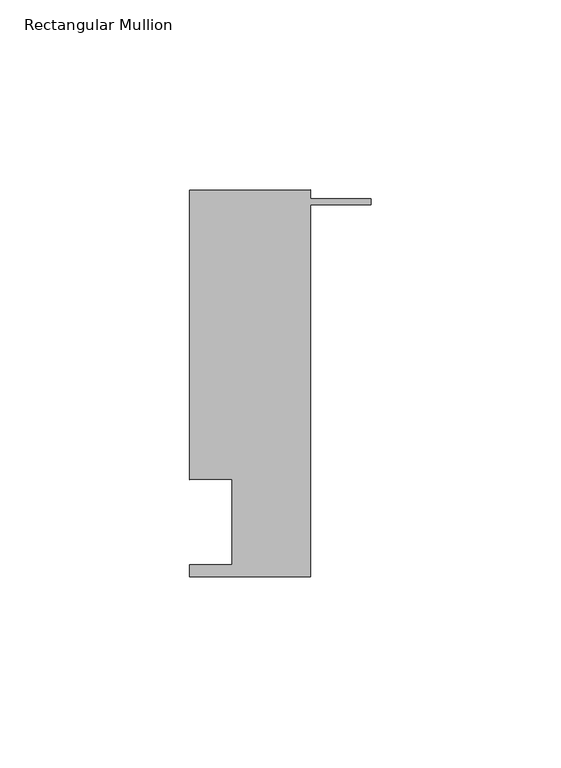
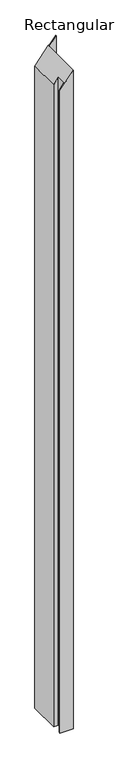
"""IFC4 building model written with IfcOpenShell, lengths in millimetres: member geometry, Rectangular Mullion."""

import ifcopenshell
import ifcopenshell.guid

model = None  # the IFC model being written
_history = None  # IfcOwnerHistory: only IFC2X3 demands one
_inside = {}  # id of a spatial element -> (the spatial element, [elements in it])
_under = {}  # id of a project, library or spatial element -> (it, [spatial elements below it])
_declared = {}  # id of a project -> (the project, [libraries it declares])
_typed = {}  # id of a type object -> (the type object, [elements of that type])
_made_of = {}  # id of a material, layer set ... -> (it, [elements and type objects made of it])


def new_model(schema):
    """Start an empty IFC model of exactly this schema.

    Asked for "IFC4X3", IfcOpenShell would pick the latest addendum, in which some entities
    have other attributes; the version numbers below select the first issue.
    IFC2X3 requires an IfcOwnerHistory on every rooted entity: one is made here for all.
    """
    global model, _history
    if schema == "IFC4X3":
        model = ifcopenshell.file(schema_version=(4, 3, 0, 0))
    else:
        model = ifcopenshell.file(schema=schema)
    _inside.clear()
    _under.clear()
    _declared.clear()
    _typed.clear()
    _made_of.clear()
    _history = None
    if model.schema == "IFC2X3":
        org = make("IfcOrganization", Name="unknown")
        user = make(
            "IfcPersonAndOrganization",
            ThePerson=make("IfcPerson", FamilyName="unknown"),
            TheOrganization=org,
        )
        app = make(
            "IfcApplication",
            ApplicationDeveloper=org,
            Version="unknown",
            ApplicationFullName="unknown",
            ApplicationIdentifier="unknown",
        )
        _history = make(
            "IfcOwnerHistory",
            OwningUser=user,
            OwningApplication=app,
            ChangeAction="ADDED",
            CreationDate=0,
        )
    return model


def make(cls, **values):
    """One entity of the class cls with the attributes given. An attribute that is None is left unset."""
    return model.create_entity(
        cls, **{name: value for name, value in values.items() if value is not None}
    )


def rooted(cls, **values):
    """An entity with a GlobalId (a new one), such as an element, a storey or a relation."""
    return make(cls, GlobalId=ifcopenshell.guid.new(), OwnerHistory=_history, **values)


def si_unit(unit_type, name, prefix=None):
    """IfcSIUnit, for example si_unit("LENGTHUNIT", "METRE", prefix="MILLI")."""
    return make("IfcSIUnit", UnitType=unit_type, Prefix=prefix, Name=name)


def assignment(units):
    """IfcUnitAssignment: the units of a project."""
    return None if units is None else make("IfcUnitAssignment", Units=units)


def point(xyz):
    """IfcCartesianPoint."""
    return None if xyz is None else make("IfcCartesianPoint", Coordinates=xyz)


def direction(xyz):
    """IfcDirection."""
    return None if xyz is None else make("IfcDirection", DirectionRatios=xyz)


def frame(location, z_axis=None, x_axis=None):
    """IfcAxis2Placement3D, a coordinate frame: its origin and axes. An axis left out is left unset."""
    return make(
        "IfcAxis2Placement3D",
        Location=point(location),
        Axis=direction(z_axis),
        RefDirection=direction(x_axis),
    )


def origin():
    """The frame at (0, 0, 0) with its axes left unset."""
    return frame((0.0, 0.0, 0.0))


def place(relative_to, where):
    """IfcLocalPlacement: puts the frame where relative to a parent placement (None: the world)."""
    return make(
        "IfcLocalPlacement", PlacementRelTo=relative_to, RelativePlacement=where
    )


def context(
    kind, dimensions, precision=None, world=None, true_north=None, identifier=None
):
    """IfcGeometricRepresentationContext, for example the 3D "Model" context."""
    return make(
        "IfcGeometricRepresentationContext",
        ContextIdentifier=identifier,
        ContextType=kind,
        CoordinateSpaceDimension=dimensions,
        Precision=precision,
        WorldCoordinateSystem=world,
        TrueNorth=true_north,
    )


def project(units=None, contexts=None):
    """IfcProject with its units and contexts."""
    return rooted(
        "IfcProject",
        Name="project",
        RepresentationContexts=contexts,
        UnitsInContext=assignment(units),
    )


def spatial(cls, under=None, at=None, **own):
    """A site, building, storey or space (cls), placed at a placement, below another one or the project."""
    s = rooted(cls, ObjectPlacement=at, **own)
    if under is not None:
        _under.setdefault(under.id(), (under, []))[1].append(s)
    return s


def faces_of(points, faces, orient=None, outer=None):
    """IfcFace entities. A face is a list of loops; a loop is a list of indices into points, from 0.

    orient and outer hold one flag for each loop. By default every Orientation is true, the
    first loop of a face is its IfcFaceOuterBound and the others are IfcFaceBound.
    """
    made = []
    for i, loops in enumerate(faces):
        bounds = []
        for j, loop in enumerate(loops):
            is_outer = j == 0 if outer is None else outer[i][j]
            bounds.append(
                make(
                    "IfcFaceOuterBound" if is_outer else "IfcFaceBound",
                    Bound=make("IfcPolyLoop", Polygon=[points[k] for k in loop]),
                    Orientation=True if orient is None else orient[i][j],
                )
            )
        made.append(make("IfcFace", Bounds=bounds))
    return made


def faceted_brep(points, faces, orient=None, outer=None, voids=None):
    """IfcFacetedBrep: a solid bounded by flat faces; with voids (closed shells), ...WithVoids."""
    shared = [point(p) for p in points]
    hull = make("IfcClosedShell", CfsFaces=faces_of(shared, faces, orient, outer))
    if voids is None:
        return make("IfcFacetedBrep", Outer=hull)
    return make(
        "IfcFacetedBrepWithVoids",
        Outer=hull,
        Voids=[
            make(cls, CfsFaces=faces_of(shared, fs, o, b)) for cls, fs, o, b in voids
        ],
    )


def shape(context_of_items, identifier, shape_type, items):
    """IfcShapeRepresentation: the items that make up one representation, for example the "Body"."""
    return make(
        "IfcShapeRepresentation",
        ContextOfItems=context_of_items,
        RepresentationIdentifier=identifier,
        RepresentationType=shape_type,
        Items=items,
    )


def source(mapping_origin, context_of_items, identifier, shape_type, items):
    """IfcRepresentationMap: a shape defined once, which mapped items show again and again."""
    return make(
        "IfcRepresentationMap",
        MappingOrigin=mapping_origin,
        MappedRepresentation=shape(context_of_items, identifier, shape_type, items),
    )


def transform(
    local_origin,
    x_axis=None,
    y_axis=None,
    z_axis=None,
    scale=None,
    scale2=None,
    scale3=None,
    uniform=True,
):
    """IfcCartesianTransformationOperator3D, or its non-uniform kind. x_axis, y_axis, z_axis: its Axis1, 2, 3."""
    if uniform:
        return make(
            "IfcCartesianTransformationOperator3D",
            Axis1=direction(x_axis),
            Axis2=direction(y_axis),
            LocalOrigin=point(local_origin),
            Scale=scale,
            Axis3=direction(z_axis),
        )
    return make(
        "IfcCartesianTransformationOperator3DnonUniform",
        Axis1=direction(x_axis),
        Axis2=direction(y_axis),
        LocalOrigin=point(local_origin),
        Scale=scale,
        Axis3=direction(z_axis),
        Scale2=scale2,
        Scale3=scale3,
    )


def mapped(mapping_source, mapping_target):
    """IfcMappedItem: shows the shape of a source again, moved by a transform."""
    return make(
        "IfcMappedItem", MappingSource=mapping_source, MappingTarget=mapping_target
    )


def made_of(thing, what):
    """Note that an element or type object is made of a material, layer set ...; save() writes the relation."""
    if what is not None:
        _made_of.setdefault(what.id(), (what, []))[1].append(thing)
    return thing


def element(
    cls,
    number,
    at=None,
    inside=None,
    cuts=None,
    type_object=None,
    material=None,
    context=None,
    identifier="Body",
    shape_type=None,
    held_by="IfcProductDefinitionShape",
    body=None,
    shapes=None,
    **own,
):
    """One element of the class cls, such as IfcWall. Its Tag is "e" and its number.

    at: its placement. inside: the storey or other place that contains it. cuts: it is an
    opening in that element (IfcRelVoidsElement). A single representation is given by context,
    identifier, shape_type and body (its items); several are given by shapes. held_by: the class
    of the entity that holds the representations. save() writes the other relations.
    """
    e = rooted(cls, Tag="e%d" % number, ObjectPlacement=at, **own)
    if body is not None:
        shapes = [shape(context, identifier, shape_type, body)]
    if shapes is not None:
        e.Representation = make(held_by, Representations=shapes)
    if inside is not None:
        _inside.setdefault(inside.id(), (inside, []))[1].append(e)
    if cuts is not None:
        rooted(
            "IfcRelVoidsElement", RelatingBuildingElement=cuts, RelatedOpeningElement=e
        )
    if type_object is not None:
        _typed.setdefault(type_object.id(), (type_object, []))[1].append(e)
    return made_of(e, material)


def aggregate(whole, parts):
    """IfcRelAggregates: a whole, such as a stair, and the parts it consists of."""
    return rooted("IfcRelAggregates", RelatingObject=whole, RelatedObjects=parts)


def save(model, path):
    """Write the relations noted so far, then the file.

    IfcRelAggregates (storeys below a building ...), IfcRelContainedInSpatialStructure (elements
    in a storey), IfcRelDefinesByType, IfcRelAssociatesMaterial and IfcRelDeclares: one each for
    every whole, place, type object, material and project.
    """
    for whole, parts in _under.values():
        aggregate(whole, parts)
    for where, things in _inside.values():
        rooted(
            "IfcRelContainedInSpatialStructure",
            RelatedElements=things,
            RelatingStructure=where,
        )
    for kind, things in _typed.values():
        rooted("IfcRelDefinesByType", RelatedObjects=things, RelatingType=kind)
    for what, things in _made_of.values():
        rooted("IfcRelAssociatesMaterial", RelatedObjects=things, RelatingMaterial=what)
    for by, libraries in _declared.values():
        rooted("IfcRelDeclares", RelatingContext=by, RelatedDefinitions=libraries)
    model.write(path)


def rectangular_mullion_c72e6e6f(model_context):
    return source(origin(), model_context, "Body", "Brep", [
        faceted_brep([(-36.6424407, 17.0149409, -1664.2953125), (-36.6424407, 39.4890625, -1664.2953125), (-47.7662542, 39.4890625, -1664.2953125), (-47.7662542, 115.6890625, -1664.2953125), (-16.0176407, 115.6890625, -1664.2953125), (-16.0176407, 113.4030625, -1664.2953125), (0.0, 113.4030625, -1664.2953125), (0.0, 111.8282625, -1664.2953125), (-16.0176407, 111.8282625, -1664.2953125), (-16.0176407, 13.8350625, -1664.2953125), (-47.7676407, 13.8350625, -1664.2953125), (-47.7676407, 17.0149409, -1664.2953125), (-16.0176407, 115.6890625, -20.5988602), (-16.0176407, 113.4030625, -20.5988602), (-36.6424407, 17.0149409, -47.1225774), (-36.6424407, 39.4890625, -47.1225774), (-47.7662542, 39.4890625, -61.4279226), (0.0, 111.8282625, 0.0), (-16.0176407, 111.8282625, -20.5988602), (0.0, 113.4030625, 0.0), (-47.7662542, 115.6890625, -61.4279226), (-16.0176407, 13.8350625, -20.5988602), (-47.7676407, 13.8350625, -61.4297057), (-47.7676407, 17.0149409, -61.4297057)], [[[0, 1, 2, 3, 4, 5, 6, 7, 8, 9, 10, 11]], [[12, 13, 5, 4]], [[14, 15, 1, 0]], [[15, 16, 2, 1]], [[17, 18, 8, 7]], [[19, 17, 7, 6]], [[13, 19, 6, 5]], [[16, 20, 3, 2]], [[20, 12, 4, 3]], [[18, 21, 9, 8]], [[21, 22, 10, 9]], [[22, 23, 11, 10]], [[23, 14, 0, 11]], [[14, 23, 22, 21, 18, 17, 19, 13, 12, 20, 16, 15]]]),
    ])


if __name__ == "__main__":
    model = new_model("IFC4")
    model_context = context("Model", 3, world=origin())
    ifc_project = project(units=[si_unit("LENGTHUNIT", "METRE", prefix="MILLI")], contexts=[model_context])
    site = spatial("IfcSite", under=ifc_project)
    building = spatial("IfcBuilding", under=site)
    placement = place(None, origin())
    rectangular_mullion_shape = rectangular_mullion_c72e6e6f(model_context)
    element("IfcMember", 1, ObjectType="Rectangular Mullion", at=placement, inside=building, context=model_context, shape_type="MappedRepresentation", body=[
        mapped(rectangular_mullion_shape, transform((0.0, 0.0, 0.0), x_axis=(1.0, 0.0, 0.0), y_axis=(0.0, 1.0, 0.0), z_axis=(0.0, 0.0, 1.0))),
    ])
    save(model, "model.ifc")
